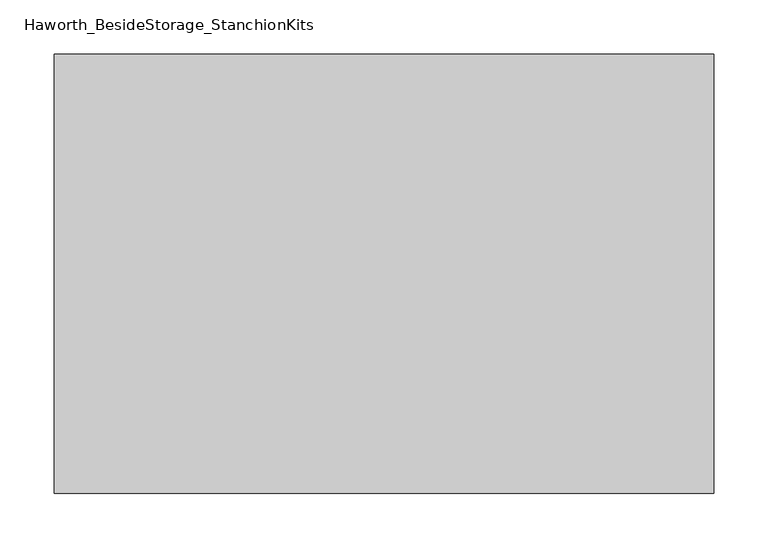
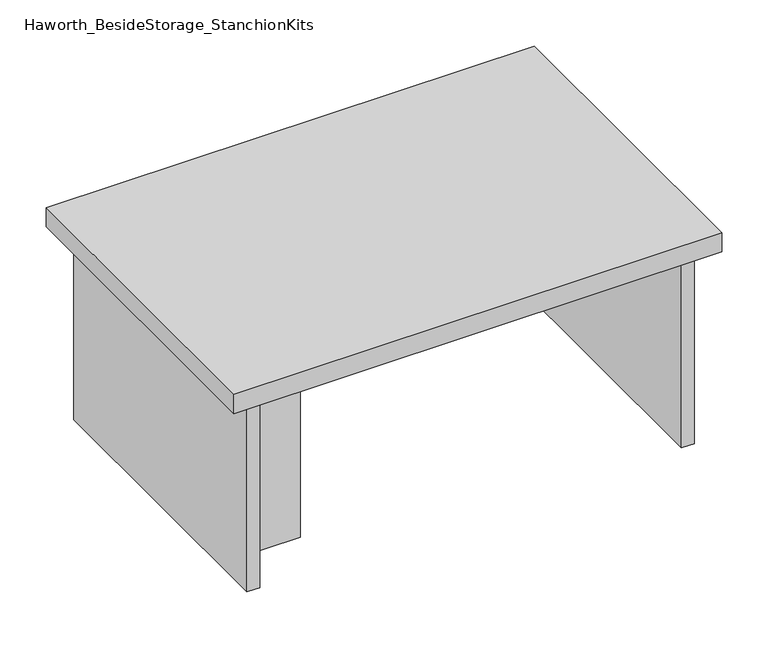
"""IFC4 building model written with IfcOpenShell, lengths in millimetres: furniture geometry, Haworth_BesideStorage_StanchionKits."""

import ifcopenshell
import ifcopenshell.guid

model = None  # the IFC model being written
_history = None  # IfcOwnerHistory: only IFC2X3 demands one
_inside = {}  # id of a spatial element -> (the spatial element, [elements in it])
_under = {}  # id of a project, library or spatial element -> (it, [spatial elements below it])
_declared = {}  # id of a project -> (the project, [libraries it declares])
_typed = {}  # id of a type object -> (the type object, [elements of that type])
_made_of = {}  # id of a material, layer set ... -> (it, [elements and type objects made of it])


def new_model(schema):
    """Start an empty IFC model of exactly this schema.

    Asked for "IFC4X3", IfcOpenShell would pick the latest addendum, in which some entities
    have other attributes; the version numbers below select the first issue.
    IFC2X3 requires an IfcOwnerHistory on every rooted entity: one is made here for all.
    """
    global model, _history
    if schema == "IFC4X3":
        model = ifcopenshell.file(schema_version=(4, 3, 0, 0))
    else:
        model = ifcopenshell.file(schema=schema)
    _inside.clear()
    _under.clear()
    _declared.clear()
    _typed.clear()
    _made_of.clear()
    _history = None
    if model.schema == "IFC2X3":
        org = make("IfcOrganization", Name="unknown")
        user = make(
            "IfcPersonAndOrganization",
            ThePerson=make("IfcPerson", FamilyName="unknown"),
            TheOrganization=org,
        )
        app = make(
            "IfcApplication",
            ApplicationDeveloper=org,
            Version="unknown",
            ApplicationFullName="unknown",
            ApplicationIdentifier="unknown",
        )
        _history = make(
            "IfcOwnerHistory",
            OwningUser=user,
            OwningApplication=app,
            ChangeAction="ADDED",
            CreationDate=0,
        )
    return model


def make(cls, **values):
    """One entity of the class cls with the attributes given. An attribute that is None is left unset."""
    return model.create_entity(
        cls, **{name: value for name, value in values.items() if value is not None}
    )


def rooted(cls, **values):
    """An entity with a GlobalId (a new one), such as an element, a storey or a relation."""
    return make(cls, GlobalId=ifcopenshell.guid.new(), OwnerHistory=_history, **values)


def si_unit(unit_type, name, prefix=None):
    """IfcSIUnit, for example si_unit("LENGTHUNIT", "METRE", prefix="MILLI")."""
    return make("IfcSIUnit", UnitType=unit_type, Prefix=prefix, Name=name)


def assignment(units):
    """IfcUnitAssignment: the units of a project."""
    return None if units is None else make("IfcUnitAssignment", Units=units)


def point(xyz):
    """IfcCartesianPoint."""
    return None if xyz is None else make("IfcCartesianPoint", Coordinates=xyz)


def direction(xyz):
    """IfcDirection."""
    return None if xyz is None else make("IfcDirection", DirectionRatios=xyz)


def frame(location, z_axis=None, x_axis=None):
    """IfcAxis2Placement3D, a coordinate frame: its origin and axes. An axis left out is left unset."""
    return make(
        "IfcAxis2Placement3D",
        Location=point(location),
        Axis=direction(z_axis),
        RefDirection=direction(x_axis),
    )


def origin():
    """The frame at (0, 0, 0) with its axes left unset."""
    return frame((0.0, 0.0, 0.0))


def place(relative_to, where):
    """IfcLocalPlacement: puts the frame where relative to a parent placement (None: the world)."""
    return make(
        "IfcLocalPlacement", PlacementRelTo=relative_to, RelativePlacement=where
    )


def context(
    kind, dimensions, precision=None, world=None, true_north=None, identifier=None
):
    """IfcGeometricRepresentationContext, for example the 3D "Model" context."""
    return make(
        "IfcGeometricRepresentationContext",
        ContextIdentifier=identifier,
        ContextType=kind,
        CoordinateSpaceDimension=dimensions,
        Precision=precision,
        WorldCoordinateSystem=world,
        TrueNorth=true_north,
    )


def project(units=None, contexts=None):
    """IfcProject with its units and contexts."""
    return rooted(
        "IfcProject",
        Name="project",
        RepresentationContexts=contexts,
        UnitsInContext=assignment(units),
    )


def spatial(cls, under=None, at=None, **own):
    """A site, building, storey or space (cls), placed at a placement, below another one or the project."""
    s = rooted(cls, ObjectPlacement=at, **own)
    if under is not None:
        _under.setdefault(under.id(), (under, []))[1].append(s)
    return s


def polyline(points):
    """IfcPolyline through the points."""
    return make("IfcPolyline", Points=[point(p) for p in points])


def outline(outer, holes=None, kind="AREA"):
    """IfcArbitraryClosedProfileDef: a profile drawn as a closed curve; with holes, ...WithVoids."""
    if holes is None:
        return make("IfcArbitraryClosedProfileDef", ProfileType=kind, OuterCurve=outer)
    return make(
        "IfcArbitraryProfileDefWithVoids",
        ProfileType=kind,
        OuterCurve=outer,
        InnerCurves=holes,
    )


def extrude(swept, where, along, depth):
    """IfcExtrudedAreaSolid: the profile swept, set in the frame where, extruded along a direction by depth."""
    return make(
        "IfcExtrudedAreaSolid",
        SweptArea=swept,
        Position=where,
        ExtrudedDirection=direction(along),
        Depth=depth,
    )


def shape(context_of_items, identifier, shape_type, items):
    """IfcShapeRepresentation: the items that make up one representation, for example the "Body"."""
    return make(
        "IfcShapeRepresentation",
        ContextOfItems=context_of_items,
        RepresentationIdentifier=identifier,
        RepresentationType=shape_type,
        Items=items,
    )


def source(mapping_origin, context_of_items, identifier, shape_type, items):
    """IfcRepresentationMap: a shape defined once, which mapped items show again and again."""
    return make(
        "IfcRepresentationMap",
        MappingOrigin=mapping_origin,
        MappedRepresentation=shape(context_of_items, identifier, shape_type, items),
    )


def transform(
    local_origin,
    x_axis=None,
    y_axis=None,
    z_axis=None,
    scale=None,
    scale2=None,
    scale3=None,
    uniform=True,
):
    """IfcCartesianTransformationOperator3D, or its non-uniform kind. x_axis, y_axis, z_axis: its Axis1, 2, 3."""
    if uniform:
        return make(
            "IfcCartesianTransformationOperator3D",
            Axis1=direction(x_axis),
            Axis2=direction(y_axis),
            LocalOrigin=point(local_origin),
            Scale=scale,
            Axis3=direction(z_axis),
        )
    return make(
        "IfcCartesianTransformationOperator3DnonUniform",
        Axis1=direction(x_axis),
        Axis2=direction(y_axis),
        LocalOrigin=point(local_origin),
        Scale=scale,
        Axis3=direction(z_axis),
        Scale2=scale2,
        Scale3=scale3,
    )


def mapped(mapping_source, mapping_target):
    """IfcMappedItem: shows the shape of a source again, moved by a transform."""
    return make(
        "IfcMappedItem", MappingSource=mapping_source, MappingTarget=mapping_target
    )


def made_of(thing, what):
    """Note that an element or type object is made of a material, layer set ...; save() writes the relation."""
    if what is not None:
        _made_of.setdefault(what.id(), (what, []))[1].append(thing)
    return thing


def element(
    cls,
    number,
    at=None,
    inside=None,
    cuts=None,
    type_object=None,
    material=None,
    context=None,
    identifier="Body",
    shape_type=None,
    held_by="IfcProductDefinitionShape",
    body=None,
    shapes=None,
    **own,
):
    """One element of the class cls, such as IfcWall. Its Tag is "e" and its number.

    at: its placement. inside: the storey or other place that contains it. cuts: it is an
    opening in that element (IfcRelVoidsElement). A single representation is given by context,
    identifier, shape_type and body (its items); several are given by shapes. held_by: the class
    of the entity that holds the representations. save() writes the other relations.
    """
    e = rooted(cls, Tag="e%d" % number, ObjectPlacement=at, **own)
    if body is not None:
        shapes = [shape(context, identifier, shape_type, body)]
    if shapes is not None:
        e.Representation = make(held_by, Representations=shapes)
    if inside is not None:
        _inside.setdefault(inside.id(), (inside, []))[1].append(e)
    if cuts is not None:
        rooted(
            "IfcRelVoidsElement", RelatingBuildingElement=cuts, RelatedOpeningElement=e
        )
    if type_object is not None:
        _typed.setdefault(type_object.id(), (type_object, []))[1].append(e)
    return made_of(e, material)


def aggregate(whole, parts):
    """IfcRelAggregates: a whole, such as a stair, and the parts it consists of."""
    return rooted("IfcRelAggregates", RelatingObject=whole, RelatedObjects=parts)


def save(model, path):
    """Write the relations noted so far, then the file.

    IfcRelAggregates (storeys below a building ...), IfcRelContainedInSpatialStructure (elements
    in a storey), IfcRelDefinesByType, IfcRelAssociatesMaterial and IfcRelDeclares: one each for
    every whole, place, type object, material and project.
    """
    for whole, parts in _under.values():
        aggregate(whole, parts)
    for where, things in _inside.values():
        rooted(
            "IfcRelContainedInSpatialStructure",
            RelatedElements=things,
            RelatingStructure=where,
        )
    for kind, things in _typed.values():
        rooted("IfcRelDefinesByType", RelatedObjects=things, RelatingType=kind)
    for what, things in _made_of.values():
        rooted("IfcRelAssociatesMaterial", RelatedObjects=things, RelatingMaterial=what)
    for by, libraries in _declared.values():
        rooted("IfcRelDeclares", RelatingContext=by, RelatedDefinitions=libraries)
    model.write(path)


def haworth_besidestorage_stanchionkits_5c650774(model_context):
    return source(origin(), model_context, "Body", "SweptSolid", [
        extrude(outline(polyline([(466.725, 0.0), (466.725, -406.4), (-142.875, -406.4), (-142.875, 0.0), (466.725, 0.0)])), frame((0.0, 0.0, 685.8), z_axis=(0.0, 0.0, 1.0), x_axis=(1.0, 0.0, 0.0)), (0.0, 0.0, 1.0), 25.4),
        extrude(outline(polyline([(339.725, -76.2), (425.45, -76.2), (425.45, -92.075), (339.725, -92.075), (339.725, -76.2)])), frame((0.0, 0.0, 431.8), z_axis=(0.0, 0.0, 1.0), x_axis=(1.0, 0.0, 0.0)), (0.0, 0.0, 1.0), 254.0),
        extrude(outline(polyline([(-15.875, -314.325), (-15.875, -330.2), (-101.6, -330.2), (-101.6, -314.325), (-15.875, -314.325)])), frame((0.0, 0.0, 431.8), z_axis=(0.0, 0.0, 1.0), x_axis=(1.0, 0.0, 0.0)), (0.0, 0.0, 1.0), 254.0),
        extrude(outline(polyline([(441.325, -390.525), (425.45, -390.525), (425.45, -15.875), (441.325, -15.875), (441.325, -390.525)])), frame((0.0, 0.0, 431.8), z_axis=(0.0, 0.0, 1.0), x_axis=(1.0, 0.0, 0.0)), (0.0, 0.0, 1.0), 254.0),
        extrude(outline(polyline([(-101.6, -390.525), (-117.475, -390.525), (-117.475, -15.875), (-101.6, -15.875), (-101.6, -390.525)])), frame((0.0, 0.0, 431.8), z_axis=(0.0, 0.0, 1.0), x_axis=(1.0, 0.0, 0.0)), (0.0, 0.0, 1.0), 254.0),
    ])


if __name__ == "__main__":
    model = new_model("IFC4")
    model_context = context("Model", 3, world=origin())
    ifc_project = project(units=[si_unit("LENGTHUNIT", "METRE", prefix="MILLI")], contexts=[model_context])
    site = spatial("IfcSite", under=ifc_project)
    building = spatial("IfcBuilding", under=site)
    placement = place(None, origin())
    haworth_besidestorage_stanchionkits_shape = haworth_besidestorage_stanchionkits_5c650774(model_context)
    element("IfcFurniture", 1, ObjectType="Haworth_BesideStorage_StanchionKits", at=placement, inside=building, context=model_context, shape_type="MappedRepresentation", body=[
        mapped(haworth_besidestorage_stanchionkits_shape, transform((0.0, 0.0, 0.0), x_axis=(1.0, 0.0, 0.0), y_axis=(0.0, 1.0, 0.0), z_axis=(0.0, 0.0, 1.0))),
    ])
    save(model, "model.ifc")
